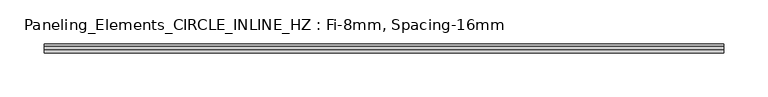
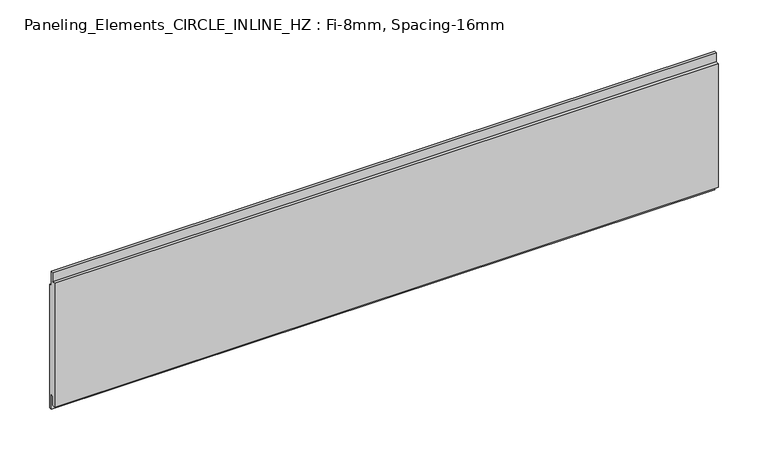
"""IFC4 building model written with IfcOpenShell, lengths in millimetres: plate geometry, Paneling_Elements_CIRCLE_INLINE_HZ : Fi-8mm, Spacing-16mm."""

from ifc_helpers import new_model, si_unit, frame, origin, place, context, project, spatial, polyline, outline, extrude, source, transform, mapped, element, save


def paneling_elements_circle_inline_hz_fi_8mm_spacing_16mm_74b283a2(model_context):
    return source(origin(), model_context, "Body", "SweptSolid", [
        extrude(outline(polyline([(-1.0, 162.0), (2.0, 162.0), (2.0, 144.0), (5.0, 144.0), (5.0, -7.0), (2.0, -7.0), (2.0, 11.0), (-1.0, 11.0), (-1.0, 0.0), (-5.0, 0.0), (-5.0, 151.0), (-1.0, 151.0), (-1.0, 162.0)])), frame((-383.4, 0.0, 0.0), z_axis=(1.0, 0.0, 0.0), x_axis=(0.0, 1.0, 0.0)), (0.0, 0.0, 1.0), 766.8),
    ])


if __name__ == "__main__":
    model = new_model("IFC4")
    model_context = context("Model", 3, world=origin())
    ifc_project = project(units=[si_unit("LENGTHUNIT", "METRE", prefix="MILLI")], contexts=[model_context])
    site = spatial("IfcSite", under=ifc_project)
    building = spatial("IfcBuilding", under=site)
    placement = place(None, origin())
    paneling_elements_circle_inline_hz_fi_8mm_spacing_16mm_shape = paneling_elements_circle_inline_hz_fi_8mm_spacing_16mm_74b283a2(model_context)
    element("IfcPlate", 1, ObjectType="Paneling_Elements_CIRCLE_INLINE_HZ : Fi-8mm, Spacing-16mm", at=placement, inside=building, context=model_context, shape_type="MappedRepresentation", body=[
        mapped(paneling_elements_circle_inline_hz_fi_8mm_spacing_16mm_shape, transform((0.0, 0.0, 0.0), x_axis=(1.0, 0.0, 0.0), y_axis=(0.0, 1.0, 0.0), z_axis=(0.0, 0.0, 1.0))),
    ])
    save(model, "model.ifc")
